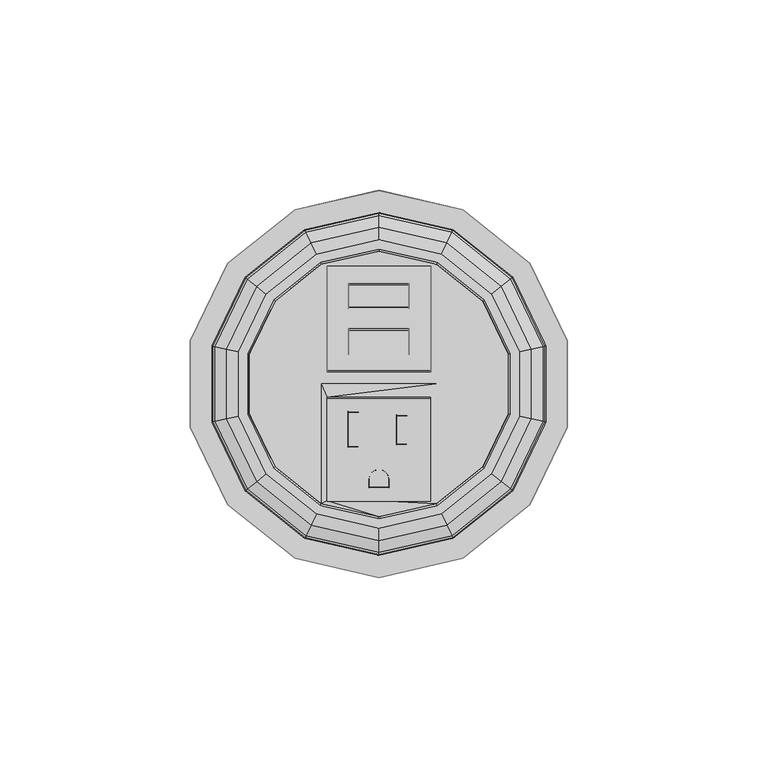
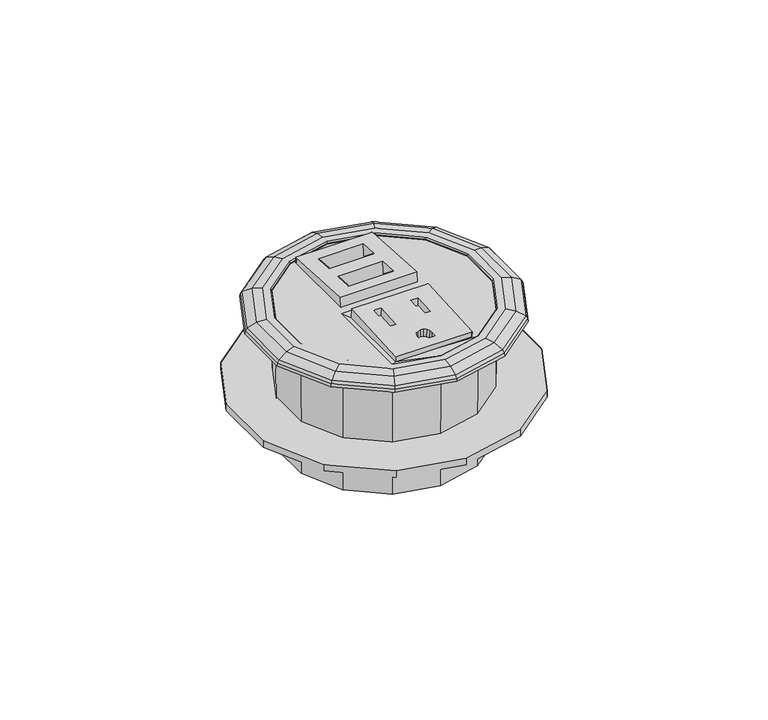
"""IFC4 building model written with IfcOpenShell, lengths in millimetres: furniture geometry."""

from ifc_helpers import new_model, si_unit, origin, place, context, project, spatial, triangles, source, transform, mapped, element, save


def furniture_81ffe557(model_context):
    return source(origin(), model_context, "Body", "Tessellation", [
        triangles([(-5.3085405, -16.6169204, 6.2075159), (-2.4170266, -24.009665, 5.7606852), (-1.8499121, -23.1622036, 5.8076516), (0.0, -22.3967366, 5.8437391), (-1.0011652, -22.5958205, 5.8368161), (4.5973487, -15.9549116, 6.1993894), (1.0011652, -22.5952664, 5.8273656), (1.8499121, -23.1611817, 5.7901898), (7.4421171, -15.9541247, 6.185963), (2.4170266, -24.0083274, 5.7378703), (13.5888485, -30.8119751, 5.2971654), (2.6161708, -27.264465, 5.5461515), (2.6161708, -25.007735, 5.6783723), (-2.6161708, -27.2659116, 5.5708463), (-13.5888485, -30.818227, 5.4038575), (-2.6161708, -25.0091816, 5.703067), (-8.1533087, -16.6177061, 6.2209423), (-8.1533087, -7.3879348, 6.7617097), (-13.5888485, -3.6867543, 6.9934759), (-5.3085405, -7.3871479, 6.7482834), (13.5888485, -3.6805033, 6.8867838), (4.5973487, -8.2972435, 6.6480482), (7.4421171, -8.2964566, 6.6346218), (-8.1671154, -16.4468999, 3.305619), (-8.1671154, -7.2171274, 3.8463861), (-5.3223473, -7.2163405, 3.8329598), (-5.3223473, -16.446113, 3.2921926), (2.602364, -27.0936587, 2.6308282), (-2.6299775, -27.0951053, 2.6555233), (-2.6299775, -24.8383753, 2.7877437), (-2.4308334, -23.8388565, 2.8453617), (-1.8637187, -22.9913973, 2.8923283), (-1.0149719, -22.425012, 2.9214928), (-0.0138066, -22.2259303, 2.9284155), (0.9873586, -22.4244602, 2.9120423), (1.8361055, -22.9903754, 2.8748663), (2.4032199, -23.8375212, 2.8225467), (2.602364, -24.8369287, 2.7630487), (7.4283103, -8.1256498, 3.7192983), (7.4283103, -15.7833174, 3.2706398), (4.5835419, -15.7841042, 3.2840661), (4.5835419, -8.1264361, 3.7327249), (-13.6054377, -3.4837553, 3.5773318), (-13.6054377, -30.7127579, 3.5788269), (13.5722582, -3.4768723, 3.4598508), (13.5722582, -30.706506, 3.4721352)], [[1, 2, 3], [4, 1, 3], [4, 3, 5], [6, 1, 4], [6, 4, 7], [7, 8, 9], [7, 9, 6], [8, 10, 11], [8, 11, 9], [11, 12, 13], [11, 13, 10], [12, 14, 15], [12, 15, 11], [16, 2, 15], [16, 15, 14], [1, 17, 15], [1, 15, 2], [17, 18, 19], [17, 19, 15], [18, 20, 21], [18, 21, 19], [22, 23, 21], [22, 21, 20], [6, 22, 20], [6, 20, 1], [9, 11, 21], [9, 21, 23], [17, 24, 25], [17, 25, 18], [18, 25, 26], [18, 26, 20], [20, 26, 27], [20, 27, 1], [1, 27, 17], [27, 24, 17], [12, 28, 29], [12, 29, 14], [14, 29, 30], [14, 30, 16], [16, 30, 31], [16, 31, 2], [2, 31, 32], [2, 32, 3], [3, 32, 33], [3, 33, 5], [5, 33, 34], [5, 34, 4], [4, 34, 35], [4, 35, 7], [7, 35, 36], [7, 36, 8], [8, 36, 37], [8, 37, 10], [10, 37, 38], [10, 38, 13], [13, 38, 28], [13, 28, 12], [23, 39, 9], [39, 40, 9], [9, 40, 41], [9, 41, 6], [6, 41, 42], [6, 42, 22], [22, 42, 23], [42, 39, 23], [19, 43, 44], [19, 44, 15], [21, 45, 43], [21, 43, 19], [11, 46, 45], [11, 45, 21], [15, 44, 46], [15, 46, 11], [25, 26, 27], [25, 27, 24], [42, 39, 40], [42, 40, 41], [29, 30, 38], [29, 38, 28], [30, 31, 37], [30, 37, 38], [31, 32, 36], [31, 36, 37], [32, 33, 35], [32, 35, 36], [33, 34, 35]], closed=False),
        triangles([(-7.9374998, 19.7188681, -1.121014), (-7.9374998, 20.1357463, 5.9787576), (7.9374998, 20.1357463, 5.9787576), (7.9374998, 19.7187296, -1.1210059), (7.9374998, 26.4748284, 5.6065437), (7.9374998, 26.0579502, -1.4932278), (-7.9374998, 26.4748284, 5.6065437), (-7.9374998, 26.0579502, -1.4932278), (-7.9374998, 7.7095051, -0.4158569), (-7.9374998, 8.1263844, 6.6839148), (7.9374998, 8.1263844, 6.6839148), (7.9374998, 7.709366, -0.4158487), (7.9374998, 14.4654654, 6.3117008), (7.9374998, 14.0485861, -0.7880706), (-7.9374998, 14.4654654, 6.3117008), (-7.9374998, 14.0485861, -0.7880706), (-13.5702575, 3.5628773, 6.9600732), (13.6665361, 3.5628773, 6.9600732), (13.6665361, 3.1550249, 3.4586586), (-13.5702575, 3.1550249, 3.4586586), (13.6665361, 30.9422974, 5.3364805), (-13.5702575, 30.9422974, 5.3364805), (13.6665361, 30.8471724, 3.4720134), (-13.5702575, 30.8471724, 3.4720134)], [[1, 2, 3], [1, 3, 4], [3, 5, 6], [3, 6, 4], [6, 5, 7], [6, 7, 8], [7, 2, 1], [7, 1, 8], [9, 10, 11], [9, 11, 12], [11, 13, 12], [13, 14, 12], [14, 13, 15], [14, 15, 16], [15, 10, 9], [15, 9, 16], [8, 1, 4], [8, 4, 6], [16, 9, 12], [16, 12, 14], [10, 17, 18], [10, 18, 11], [13, 3, 2], [13, 2, 15], [19, 18, 20], [18, 17, 20], [18, 21, 5], [18, 5, 11], [5, 21, 22], [5, 22, 7], [22, 17, 10], [22, 10, 7], [21, 18, 19], [21, 19, 23], [21, 23, 24], [21, 24, 22], [24, 20, 22], [20, 17, 22]], closed=False),
        triangles([(0.0, 34.9078802, 3.4721289), (0.0, 34.7866303, -45.3135995), (-15.0933533, 31.3416712, -45.3135995), (-15.1459607, 31.4509123, 3.4721289), (-27.1972816, 21.6891081, -45.3135995), (-27.2920796, 21.7647076, 3.4721289), (-33.9144565, 7.7407532, -45.3135995), (-34.0326656, 7.7677336, 3.4721289), (-33.9144565, -7.7407532, -45.3135995), (-34.0326656, -7.7677336, 3.4721289), (-27.1972816, -21.6891081, -45.3135995), (-27.2920796, -21.7647076, 3.4721289), (-15.0933533, -31.3416712, -45.3135995), (-15.1459607, -31.4509123, 3.4721289), (0.0, -34.7866303, -45.3135995), (0.0, -34.9078802, 3.4721289), (15.0933533, -31.3416712, -45.3135995), (15.1459607, -31.4509123, 3.4721289), (27.1972816, -21.6891081, -45.3135995), (27.2920796, -21.7647076, 3.4721289), (33.9144565, -7.7407532, -45.3135995), (34.0326656, -7.7677336, 3.4721289), (33.9144565, 7.7407532, -45.3135995), (34.0326656, 7.7677336, 3.4721289), (27.1972816, 21.6891081, -45.3135995), (27.2920796, 21.7647076, 3.4721289), (15.0933533, 31.3416712, -45.3135995), (15.1459607, 31.4509123, 3.4721289), (0.0, 44.794377, 0.9999664), (0.0, 44.9707016, 0.0), (-19.5120562, 40.5171989, 0.0), (-19.4355529, 40.3583423, 0.9999664), (-35.1595091, 28.0387727, 0.0), (-35.0216564, 27.928839, 0.9999664), (-43.8431905, 10.0069223, 0.0), (-43.6712897, 9.9676874, 0.9999664), (-43.8431905, -10.0069223, 0.0), (-43.6712897, -9.9676874, 0.9999664), (-35.1595091, -28.0387727, 0.0), (-35.0216564, -27.928839, 0.9999664), (-19.5120562, -40.5171989, 0.0), (-19.4355529, -40.3583423, 0.9999664), (0.0, -44.9707016, 0.0), (0.0, -44.794377, 0.9999664), (19.5120562, -40.5171989, 0.0), (19.4355529, -40.3583423, 0.9999664), (35.1595091, -28.0387727, 0.0), (35.0216564, -27.928839, 0.9999664), (43.8431905, -10.0069223, 0.0), (43.6712897, -9.9676874, 0.9999664), (43.8431905, 10.0069223, 0.0), (43.6712897, 9.9676874, 0.9999664), (35.1595091, 28.0387727, 0.0), (35.0216564, 27.928839, 0.9999664), (19.5120562, 40.5171989, 0.0), (19.4355529, 40.3583423, 0.9999664), (0.0, 35.4155708, 3.9624001), (0.0, 37.8343526, 3.9624001), (-16.4157108, 34.0875746, 3.9624001), (-15.3662393, 31.9083267, 3.9624001), (-29.5800872, 23.5893328, 3.9624001), (-27.6890076, 22.0812467, 3.9624001), (-36.8857663, 8.4189356, 3.9624001), (-34.5276277, 7.8807059, 3.9624001), (-36.8857663, -8.4189356, 3.9624001), (-34.5276277, -7.8807059, 3.9624001), (-29.5800872, -23.5893328, 3.9624001), (-27.6890076, -22.0812467, 3.9624001), (-16.4157108, -34.0875746, 3.9624001), (-15.3662393, -31.9083267, 3.9624001), (0.0, -37.8343526, 3.9624001), (0.0, -35.4155708, 3.9624001), (16.4157108, -34.0875746, 3.9624001), (15.3662393, -31.9083267, 3.9624001), (29.5800872, -23.5893328, 3.9624001), (27.6890076, -22.0812467, 3.9624001), (36.8857663, -8.4189356, 3.9624001), (34.5276277, -7.8807059, 3.9624001), (36.8857663, 8.4189356, 3.9624001), (34.5276277, 7.8807059, 3.9624001), (29.5800872, 23.5893328, 3.9624001), (27.6890076, 22.0812467, 3.9624001), (16.4157108, 34.0875746, 3.9624001), (15.3662393, 31.9083267, 3.9624001), (19.1603357, -39.7868474, 1.9889974), (0.0, -44.160068, 1.9889974), (0.0, -41.1475474, 3.4575966), (17.8532514, -37.0726576, 3.4575966), (34.5257314, -27.533353, 1.9889974), (32.1704473, -25.6550747, 3.4575966), (43.0528817, -9.8265396, 1.9889974), (40.1158926, -9.1561902, 3.4575966), (43.0528817, 9.8265396, 1.9889974), (40.1158926, 9.1561902, 3.4575966), (34.5257314, 27.533353, 1.9889974), (32.1704473, 25.6550747, 3.4575966), (19.1603357, 39.7868474, 1.9889974), (17.8532514, 37.0726576, 3.4575966), (0.0, 44.160068, 1.9889974), (0.0, 41.1475474, 3.4575966), (-19.1603357, 39.7868474, 1.9889974), (-17.8532514, 37.0726576, 3.4575966), (-34.5257314, 27.533353, 1.9889974), (-32.1704473, 25.6550747, 3.4575966), (-43.0528817, 9.8265396, 1.9889974), (-40.1158926, 9.1561902, 3.4575966), (-43.0528817, -9.8265396, 1.9889974), (-40.1158926, -9.1561902, 3.4575966), (-34.5257314, -27.533353, 1.9889974), (-32.1704473, -25.6550747, 3.4575966), (-19.1603357, -39.7868474, 1.9889974), (-17.8532514, -37.0726576, 3.4575966), (0.0, 50.8000015, -25.4000008), (0.0, 50.8000015, -27.8130007), (-22.0412941, 45.7692176, -27.8130007), (-22.0412941, 45.7692176, -25.4000008), (-39.7170388, 31.6732825, -27.8130007), (-39.7170388, 31.6732825, -25.4000008), (-49.5263374, 11.3040634, -27.8130007), (-49.5263374, 11.3040634, -25.4000008), (-49.5263374, -11.3040634, -27.8130007), (-49.5263374, -11.3040634, -25.4000008), (-39.7170388, -31.6732825, -27.8130007), (-39.7170388, -31.6732825, -25.4000008), (-22.0412941, -45.7692176, -27.8130007), (-22.0412941, -45.7692176, -25.4000008), (0.0, -50.8000015, -27.8130007), (0.0, -50.8000015, -25.4000008), (22.0412941, -45.7692176, -27.8130007), (22.0412941, -45.7692176, -25.4000008), (39.7170388, -31.6732825, -27.8130007), (39.7170388, -31.6732825, -25.4000008), (49.5263374, -11.3040634, -27.8130007), (49.5263374, -11.3040634, -25.4000008), (49.5263374, 11.3040634, -27.8130007), (49.5263374, 11.3040634, -25.4000008), (39.7170388, 31.6732825, -27.8130007), (39.7170388, 31.6732825, -25.4000008), (22.0412941, 45.7692176, -27.8130007), (22.0412941, 45.7692176, -25.4000008), (-27.2920796, -21.7647076, -27.8130007), (-34.0326656, -7.7677336, -27.8130007), (-34.0326656, 7.7677336, -27.8130007), (-27.2920796, 21.7647076, -27.8130007), (-15.1459607, 31.4509123, -27.8130007), (0.0, 34.9078802, -27.8130007), (15.1459607, 31.4509123, -27.8130007), (27.2920796, 21.7647076, -27.8130007), (34.0326656, 7.7677336, -27.8130007), (34.0326656, -7.7677336, -27.8130007), (27.2920796, -21.7647076, -27.8130007), (15.1459607, -31.4509123, -27.8130007), (0.0, -34.9078802, -27.8130007), (-15.1459607, -31.4509123, -27.8130007), (-27.2920796, -21.7647076, -25.4000008), (-34.0326656, -7.7677336, -25.4000008), (-34.0326656, 7.7677336, -25.4000008), (-27.2920796, 21.7647076, -25.4000008), (-15.1459607, 31.4509123, -25.4000008), (0.0, 34.9078802, -25.4000008), (15.1459607, 31.4509123, -25.4000008), (27.2920796, 21.7647076, -25.4000008), (34.0326656, 7.7677336, -25.4000008), (34.0326656, -7.7677336, -25.4000008), (27.2920796, -21.7647076, -25.4000008), (15.1459607, -31.4509123, -25.4000008), (0.0, -34.9078802, -25.4000008), (-15.1459607, -31.4509123, -25.4000008), (0.0, 34.9078802, 0.0), (-15.1459607, 31.4509123, 0.0), (15.1459607, 31.4509123, 0.0), (27.2920796, 21.7647076, 0.0), (34.0326656, 7.7677336, 0.0), (34.0326656, -7.7677336, 0.0), (27.2920796, -21.7647076, 0.0), (15.1459607, -31.4509123, 0.0), (0.0, -34.9078802, 0.0), (-15.1459607, -31.4509123, 0.0), (-27.2920796, -21.7647076, 0.0), (-34.0326656, -7.7677336, 0.0), (-34.0326656, 7.7677336, 0.0), (-27.2920796, 21.7647076, 0.0), (13.6665361, 30.8471724, 3.4720134), (0.0481391, 30.8471724, 3.4720134), (-13.5702575, 30.8471724, 3.4720134), (-13.6054377, -30.7127579, 3.5788269), (-0.0165901, -30.7096331, 3.5254809), (13.5722582, -30.706506, 3.4721352), (-15.1459607, 0.0, 3.4721289), (-13.5702575, 3.1550249, 3.4586586), (-13.6054377, -3.4837553, 3.5773318), (15.1459607, 0.0, 3.4721289), (13.5722582, -3.4768723, 3.4598508), (13.6665361, 3.1550249, 3.4586586)], [[1, 2, 3], [1, 3, 4], [4, 3, 5], [4, 5, 6], [6, 5, 7], [6, 7, 8], [8, 7, 9], [8, 9, 10], [10, 9, 11], [10, 11, 12], [12, 11, 13], [12, 13, 14], [14, 13, 15], [14, 15, 16], [16, 15, 17], [16, 17, 18], [18, 17, 19], [18, 19, 20], [20, 19, 21], [20, 21, 22], [22, 21, 23], [22, 23, 24], [24, 23, 25], [24, 25, 26], [26, 25, 27], [26, 27, 28], [28, 27, 2], [28, 2, 1], [29, 30, 31], [29, 31, 32], [32, 31, 33], [32, 33, 34], [34, 33, 35], [34, 35, 36], [36, 35, 37], [36, 37, 38], [38, 37, 39], [38, 39, 40], [40, 39, 41], [40, 41, 42], [42, 41, 43], [42, 43, 44], [44, 43, 45], [44, 45, 46], [46, 45, 47], [46, 47, 48], [48, 47, 49], [48, 49, 50], [50, 49, 51], [50, 51, 52], [52, 51, 53], [52, 53, 54], [54, 53, 55], [54, 55, 56], [56, 55, 30], [56, 30, 29], [57, 58, 59], [57, 59, 60], [60, 59, 61], [60, 61, 62], [62, 61, 63], [62, 63, 64], [64, 63, 65], [64, 65, 66], [66, 65, 67], [66, 67, 68], [68, 67, 69], [68, 69, 70], [70, 69, 71], [70, 71, 72], [72, 71, 73], [72, 73, 74], [74, 73, 75], [74, 75, 76], [76, 75, 77], [76, 77, 78], [78, 77, 79], [78, 79, 80], [80, 79, 81], [80, 81, 82], [82, 81, 83], [82, 83, 84], [84, 83, 58], [84, 58, 57], [66, 10, 8], [66, 8, 64], [64, 8, 6], [64, 6, 62], [62, 6, 4], [62, 4, 60], [60, 4, 1], [60, 1, 57], [57, 1, 28], [57, 28, 84], [84, 28, 26], [84, 26, 82], [82, 26, 24], [82, 24, 80], [80, 24, 22], [80, 22, 78], [78, 22, 20], [78, 20, 76], [76, 20, 18], [76, 18, 74], [74, 18, 16], [74, 16, 72], [72, 16, 14], [72, 14, 70], [70, 14, 12], [70, 12, 68], [68, 12, 10], [68, 10, 66], [85, 86, 87], [85, 87, 88], [88, 87, 71], [88, 71, 73], [86, 44, 46], [86, 46, 85], [89, 85, 88], [89, 88, 90], [90, 88, 73], [90, 73, 75], [85, 46, 48], [85, 48, 89], [91, 89, 90], [91, 90, 92], [92, 90, 75], [92, 75, 77], [89, 48, 50], [89, 50, 91], [93, 91, 92], [93, 92, 94], [94, 92, 77], [94, 77, 79], [91, 50, 52], [91, 52, 93], [95, 93, 94], [95, 94, 96], [96, 94, 79], [96, 79, 81], [93, 52, 54], [93, 54, 95], [97, 95, 96], [97, 96, 98], [98, 96, 81], [98, 81, 83], [95, 54, 56], [95, 56, 97], [99, 97, 98], [99, 98, 100], [100, 98, 83], [100, 83, 58], [97, 56, 29], [97, 29, 99], [101, 99, 100], [101, 100, 102], [102, 100, 58], [102, 58, 59], [99, 29, 32], [99, 32, 101], [103, 101, 102], [103, 102, 104], [104, 102, 59], [104, 59, 61], [101, 32, 34], [101, 34, 103], [105, 103, 104], [105, 104, 106], [106, 104, 61], [106, 61, 63], [103, 34, 36], [103, 36, 105], [107, 105, 106], [107, 106, 108], [108, 106, 63], [108, 63, 65], [105, 36, 38], [105, 38, 107], [109, 107, 108], [109, 108, 110], [110, 108, 65], [110, 65, 67], [107, 38, 40], [107, 40, 109], [111, 109, 110], [111, 110, 112], [112, 110, 67], [112, 67, 69], [109, 40, 42], [109, 42, 111], [86, 111, 112], [86, 112, 87], [87, 112, 69], [87, 69, 71], [111, 42, 44], [111, 44, 86], [2, 15, 17], [2, 17, 27], [17, 19, 27], [19, 25, 27], [25, 19, 21], [25, 21, 23], [2, 3, 13], [2, 13, 15], [3, 5, 13], [5, 11, 13], [11, 5, 7], [11, 7, 9], [18, 20, 28], [20, 26, 28], [26, 20, 22], [26, 22, 24], [4, 6, 14], [6, 12, 14], [12, 6, 8], [12, 8, 10], [113, 114, 115], [113, 115, 116], [116, 115, 117], [116, 117, 118], [118, 117, 119], [118, 119, 120], [120, 119, 121], [120, 121, 122], [122, 121, 123], [122, 123, 124], [124, 123, 125], [124, 125, 126], [126, 125, 127], [126, 127, 128], [128, 127, 129], [128, 129, 130], [130, 129, 131], [130, 131, 132], [132, 131, 133], [132, 133, 134], [134, 133, 135], [134, 135, 136], [136, 135, 137], [136, 137, 138], [138, 137, 139], [138, 139, 140], [140, 139, 114], [140, 114, 113], [123, 141, 142], [123, 142, 121], [121, 142, 143], [121, 143, 119], [119, 143, 144], [119, 144, 117], [117, 144, 145], [117, 145, 115], [115, 145, 146], [115, 146, 114], [114, 146, 147], [114, 147, 139], [139, 147, 148], [139, 148, 137], [137, 148, 149], [137, 149, 135], [135, 149, 150], [135, 150, 133], [133, 150, 151], [133, 151, 131], [131, 151, 152], [131, 152, 129], [129, 152, 153], [129, 153, 127], [127, 153, 154], [127, 154, 125], [125, 154, 141], [125, 141, 123], [124, 155, 156], [124, 156, 122], [122, 156, 157], [122, 157, 120], [120, 157, 158], [120, 158, 118], [118, 158, 159], [118, 159, 116], [116, 159, 160], [116, 160, 113], [113, 160, 161], [113, 161, 140], [140, 161, 162], [140, 162, 138], [138, 162, 163], [138, 163, 136], [136, 163, 164], [136, 164, 134], [134, 164, 165], [134, 165, 132], [132, 165, 166], [132, 166, 130], [130, 166, 167], [130, 167, 128], [128, 167, 168], [128, 168, 126], [126, 168, 155], [126, 155, 124], [31, 30, 169], [31, 169, 170], [30, 55, 171], [30, 171, 169], [55, 53, 172], [55, 172, 171], [53, 51, 173], [53, 173, 172], [51, 49, 174], [51, 174, 173], [49, 47, 175], [49, 175, 174], [47, 45, 176], [47, 176, 175], [45, 43, 177], [45, 177, 176], [43, 177, 178], [43, 178, 41], [41, 178, 179], [41, 179, 39], [39, 179, 180], [39, 180, 37], [37, 180, 181], [37, 181, 35], [35, 181, 182], [35, 182, 33], [33, 182, 170], [33, 170, 31], [183, 28, 1], [183, 1, 184], [184, 1, 4], [184, 4, 185], [186, 14, 16], [186, 16, 187], [187, 16, 18], [187, 18, 188], [185, 4, 189], [185, 189, 190], [191, 189, 14], [191, 14, 186], [188, 18, 192], [188, 192, 193], [194, 192, 28], [194, 28, 183], [191, 193, 192], [191, 192, 189], [189, 192, 194], [189, 194, 190]], closed=False),
    ])


if __name__ == "__main__":
    model = new_model("IFC4")
    model_context = context("Model", 3, world=origin())
    ifc_project = project(units=[si_unit("LENGTHUNIT", "METRE", prefix="MILLI")], contexts=[model_context])
    site = spatial("IfcSite", under=ifc_project)
    building = spatial("IfcBuilding", under=site)
    placement = place(None, origin())
    furniture_shape = furniture_81ffe557(model_context)
    element("IfcFurniture", 1, at=placement, inside=building, context=model_context, shape_type="MappedRepresentation", body=[
        mapped(furniture_shape, transform((0.0, 0.0, 0.0), x_axis=(1.0, 0.0, 0.0), y_axis=(0.0, 1.0, 0.0), z_axis=(0.0, 0.0, 1.0))),
    ])
    save(model, "model.ifc")
